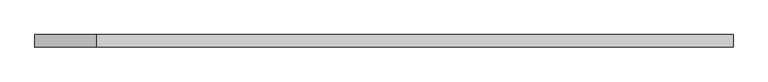
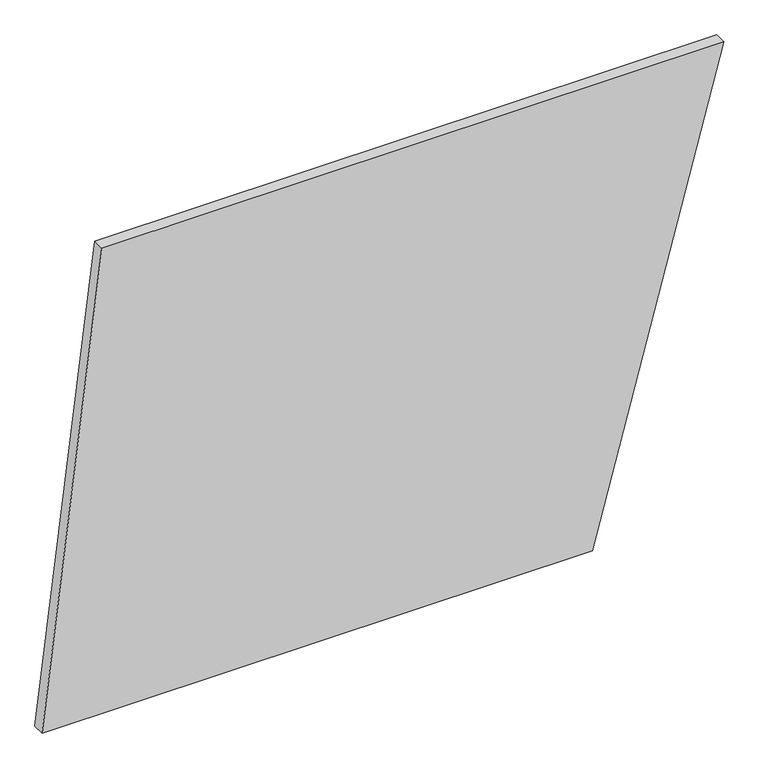
"""IFC4 building model written with IfcOpenShell, lengths in millimetres: plate geometry."""

from ifc_helpers import new_model, si_unit, frame, origin, place, context, project, spatial, polyline, outline, extrude, source, transform, mapped, element, save


def plate_40c31ed0(model_context):
    return source(origin(), model_context, "Body", "SweptSolid", [
        extrude(outline(polyline([(0.0, -693.7293936), (0.0, 425.7802012), (1000.0, 693.7293936), (1000.0, -572.0174605), (0.0, -693.7293936)])), frame((0.0, 24.5, 0.0), z_axis=(0.0, 1.0, 0.0), x_axis=(0.0, 0.0, 1.0)), (0.0, 0.0, 1.0), 25.0),
    ])


if __name__ == "__main__":
    model = new_model("IFC4")
    model_context = context("Model", 3, world=origin())
    ifc_project = project(units=[si_unit("LENGTHUNIT", "METRE", prefix="MILLI")], contexts=[model_context])
    site = spatial("IfcSite", under=ifc_project)
    building = spatial("IfcBuilding", under=site)
    placement = place(None, origin())
    plate_shape = plate_40c31ed0(model_context)
    element("IfcPlate", 1, at=placement, inside=building, context=model_context, shape_type="MappedRepresentation", body=[
        mapped(plate_shape, transform((0.0, 0.0, 0.0), x_axis=(1.0, 0.0, 0.0), y_axis=(0.0, 1.0, 0.0), z_axis=(0.0, 0.0, 1.0))),
    ])
    save(model, "model.ifc")
